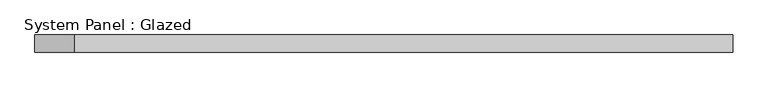
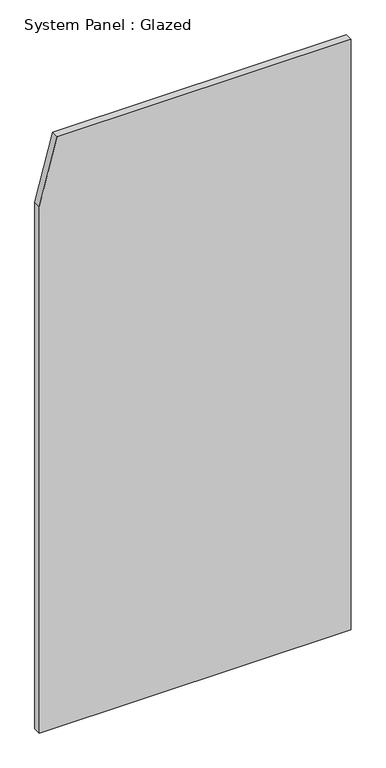
"""IFC4 building model written with IfcOpenShell, lengths in millimetres: plate geometry, System Panel : Glazed."""

from ifc_helpers import new_model, si_unit, frame, origin, place, context, project, spatial, polyline, outline, extrude, source, transform, mapped, element, save


def system_panel_glazed_ff5525f5(model_context):
    return source(origin(), model_context, "Body", "SweptSolid", [
        extrude(outline(polyline([(0.0, -500.0), (0.0, 500.0), (2000.0, 500.0), (2000.0, -442.8571432), (1783.7837849, -500.0), (0.0, -500.0)])), frame((0.0, 24.5, 0.0), z_axis=(0.0, 1.0, 0.0), x_axis=(0.0, 0.0, 1.0)), (0.0, 0.0, 1.0), 25.0),
    ])


if __name__ == "__main__":
    model = new_model("IFC4")
    model_context = context("Model", 3, world=origin())
    ifc_project = project(units=[si_unit("LENGTHUNIT", "METRE", prefix="MILLI")], contexts=[model_context])
    site = spatial("IfcSite", under=ifc_project)
    building = spatial("IfcBuilding", under=site)
    placement = place(None, origin())
    system_panel_glazed_shape = system_panel_glazed_ff5525f5(model_context)
    element("IfcPlate", 1, ObjectType="System Panel : Glazed", at=placement, inside=building, context=model_context, shape_type="MappedRepresentation", body=[
        mapped(system_panel_glazed_shape, transform((0.0, 0.0, 0.0), x_axis=(1.0, 0.0, 0.0), y_axis=(0.0, 1.0, 0.0), z_axis=(0.0, 0.0, 1.0))),
    ])
    save(model, "model.ifc")
